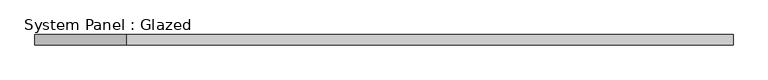
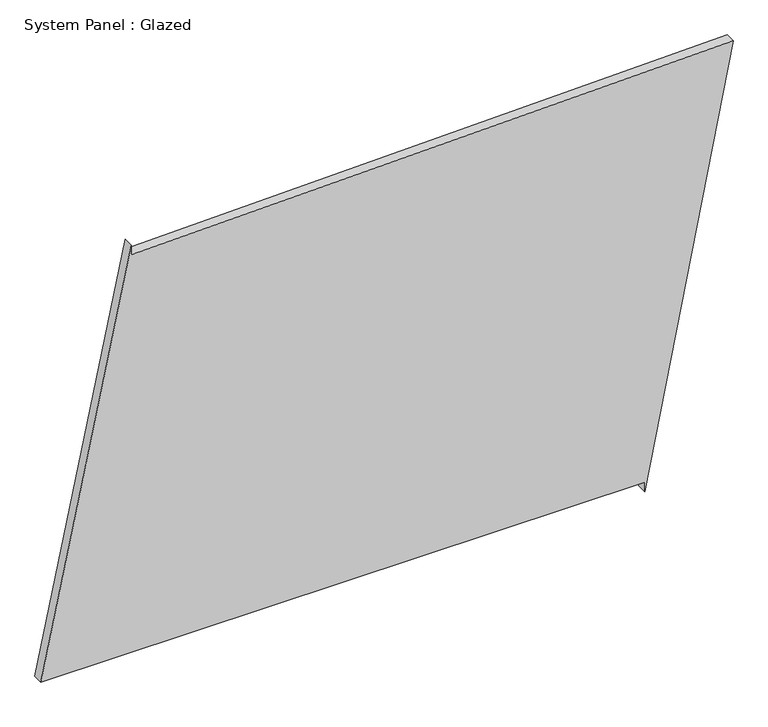
"""IFC4 building model written with IfcOpenShell, lengths in millimetres: plate geometry, System Panel : Glazed."""

from ifc_helpers import new_model, si_unit, frame, origin, place, context, project, spatial, polyline, outline, extrude, source, transform, mapped, element, save


def system_panel_glazed_856139b4(model_context):
    return source(origin(), model_context, "Body", "SweptSolid", [
        extrude(outline(polyline([(25.0, 638.2935713), (0.0, 638.2935713), (1103.8436067, 856.8935214), (1065.5140098, -632.2537619), (1090.5057325, -632.8970311), (25.0, -856.8935214), (25.0, 638.2935713)])), frame((0.0, -49.5, 0.0), z_axis=(0.0, 1.0, 0.0), x_axis=(0.0, 0.0, 1.0)), (0.0, 0.0, 1.0), 25.0),
    ])


if __name__ == "__main__":
    model = new_model("IFC4")
    model_context = context("Model", 3, world=origin())
    ifc_project = project(units=[si_unit("LENGTHUNIT", "METRE", prefix="MILLI")], contexts=[model_context])
    site = spatial("IfcSite", under=ifc_project)
    building = spatial("IfcBuilding", under=site)
    placement = place(None, origin())
    system_panel_glazed_shape = system_panel_glazed_856139b4(model_context)
    element("IfcPlate", 1, ObjectType="System Panel : Glazed", at=placement, inside=building, context=model_context, shape_type="MappedRepresentation", body=[
        mapped(system_panel_glazed_shape, transform((0.0, 0.0, 0.0), x_axis=(1.0, 0.0, 0.0), y_axis=(0.0, 1.0, 0.0), z_axis=(0.0, 0.0, 1.0))),
    ])
    save(model, "model.ifc")
